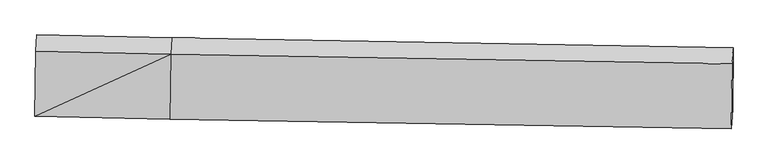
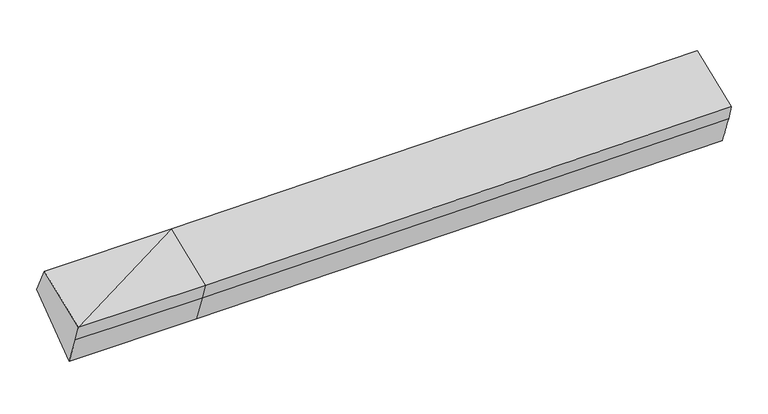
"""IFC4 building model written with IfcOpenShell, lengths in millimetres: proxy geometry."""

from ifc_helpers import new_model, si_unit, frame, origin, place, context, project, spatial, source, transform, mapped, element, save
from ifc_brep_helpers import plane_surface, spline_surface, advanced_brep


def generic_models_42885ee9(model_context):
    return source(origin(), model_context, "Body", "AdvancedBrep", [
        advanced_brep(
        [(-2791.6992824, -1886.4397589, 1987.5573278), (-2786.4532595, -1821.915088, 1803.9735969), (-1434.3958294, -1851.0289674, 1832.3767712), (-1439.6418522, -1915.5536383, 2015.9605022), (-2782.8086525, -1235.6769851, 2231.3887634), (-1430.7512224, -1264.7908645, 2259.7919378), (-2772.8584863, -1072.7578022, 1924.7333645), (-1420.8010561, -1101.8716816, 1953.1365388), (-2776.757884, -1689.5071804, 1478.1721057), (-1424.7004539, -1718.6210598, 1506.5752801), (4204.3187259, -1199.4097893, 2079.5959622), (4194.2338138, -1363.9863095, 2390.9667696), (4185.343184, -2014.7490833, 2147.135334), (4190.3197152, -1953.5390871, 1972.9824198), (4200.4193281, -1816.1591674, 1633.0347035)],
        [
            (0, 1),
            (1, 2),
            (2, 3),
            (3, 0),
            (4, 0),
            (0, 5),
            (5, 4),
            (6, 4),
            (5, 7),
            (7, 6),
            (8, 6),
            (7, 9),
            (9, 8),
            (1, 8),
            (9, 2),
            (10, 11),
            (11, 12),
            (12, 13),
            (13, 14),
            (14, 10),
            (3, 5),
            (5, 11),
            (10, 7),
            (3, 12),
            (2, 13),
            (9, 14),
        ],
        [
            plane_surface(frame((-2789.0762709, -1854.1774234, 1895.7654624), z_axis=(-0.013338101802114371, -0.9432211105835978, -0.3318976221514112), x_axis=(0.026949164009013434, 0.33146747176982205, -0.9430816813604946))),
            plane_surface(frame((-2787.2539674, -1561.058372, 2109.4730456), z_axis=(-0.02721249984422517, -0.3504093449129102, 0.9362012448453235), x_axis=(-0.012792273163781289, -0.9363493147804074, -0.35083659794491917))),
            plane_surface(frame((-2777.8335694, -1154.2173937, 2078.0610639), z_axis=(0.009151911633108308, 0.8829455225348531, 0.4693862447378652), x_axis=(-0.028642711357789896, -0.4689818253703332, 0.8827432483788163))),
            plane_surface(frame((-2774.8081851, -1381.1324913, 1701.4527351), z_axis=(0.029630016175876375, 0.586086017957953, -0.809706886283924), x_axis=(0.005120990322764591, 0.8099629175747636, 0.5864587347903439))),
            plane_surface(frame((-2781.6055718, -1755.7111342, 1641.0728513), z_axis=(-0.012029208203396015, -0.9262240094669316, -0.37678161106535046), x_axis=(0.027558311821800928, 0.37635864886971176, -0.9260640943641523))),
            plane_surface(frame((4194.9269534, -1669.5686873, 2044.7430378), z_axis=(0.9995478165648374, -0.021523282927259087, 0.020997873523280426), x_axis=(-0.028623197115565577, -0.4671043383876122, 0.8837387903936066))),
            plane_surface(frame((-2782.1155129, -1541.2593629, 1885.1650317), z_axis=(-0.9995478165648376, 0.021523282927239873, -0.020997873523285963), x_axis=(-0.026949164008970673, -0.3314674717698222, 0.9430816813604959))),
            plane_surface(frame((-2791.6992824, -1886.4397589, 1987.5573278), z_axis=(-0.027212499844221052, -0.350409344912918, 0.9362012448453207), x_axis=(-0.01279227316380038, -0.9363493147804041, -0.3508365979449273))),
            spline_surface(1, 1, [[(-1420.8010561, -1101.8716816, 1953.1365388), (4204.3187259, -1199.4097893, 2079.5959622)], [(-1430.7512224, -1264.7908645, 2259.7919378), (4194.2338138, -1363.9863095, 2390.9667696)]], [2, 2], [2, 2], [0.0, 1.0], [0.0, 1.0]),
            plane_surface(frame((-1435.1965373, -1590.1722514, 2137.87622), z_axis=(-0.02801093598507487, -0.3503920401881695, 0.9361841729264667), x_axis=(-0.012792273163801314, -0.9363493147804083, -0.35083659794491606))),
            plane_surface(frame((-1437.0188408, -1883.2913028, 1924.1686367), z_axis=(-0.008897419374874007, -0.943307421141546, -0.3318010626079334), x_axis=(0.02694916400899025, 0.3314674717698216, -0.9430816813604955))),
            spline_surface(1, 1, [[(-1434.3958294, -1851.0289674, 1832.3767712), (4190.3197152, -1953.5390871, 1972.9824198)], [(-1424.7004539, -1718.6210598, 1506.5752801), (4200.4193281, -1816.1591674, 1633.0347035)]], [2, 2], [2, 2], [0.0, 1.0], [0.0, 1.0]),
            plane_surface(frame((-1422.750755, -1410.2463707, 1729.8559094), z_axis=(0.02836680366935275, 0.5861127502121074, -0.8097327759751265), x_axis=(0.0051209903227649465, 0.8099629175747636, 0.5864587347903439))),
        ],
        [
            (0, [[1, 2, 3, 4]]),
            (1, [[5, 6, 7]]),
            (2, [[8, -7, 9, 10]]),
            (3, [[11, -10, 12, 13]]),
            (4, [[14, -13, 15, -2]]),
            (5, [[16, 17, 18, 19, 20]]),
            (6, [[-1, -5, -8, -11, -14]]),
            (7, [[21, -6, -4]]),
            (8, [[-9, 22, -16, 23]]),
            (9, [[-21, 24, -17, -22]]),
            (10, [[-3, 25, -18, -24]]),
            (11, [[-15, 26, -19, -25]]),
            (12, [[-12, -23, -20, -26]]),
        ],
    ),
    ])


if __name__ == "__main__":
    model = new_model("IFC4")
    model_context = context("Model", 3, world=origin())
    ifc_project = project(units=[si_unit("LENGTHUNIT", "METRE", prefix="MILLI")], contexts=[model_context])
    site = spatial("IfcSite", under=ifc_project)
    building = spatial("IfcBuilding", under=site)
    placement = place(None, origin())
    generic_models_shape = generic_models_42885ee9(model_context)
    element("IfcBuildingElementProxy", 1, Name="Generic Models", at=placement, inside=building, context=model_context, shape_type="MappedRepresentation", body=[
        mapped(generic_models_shape, transform((0.0, 0.0, 0.0), x_axis=(1.0, 0.0, 0.0), y_axis=(0.0, 1.0, 0.0), z_axis=(0.0, 0.0, 1.0))),
    ])
    save(model, "model.ifc")
